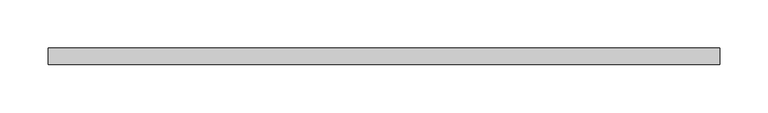
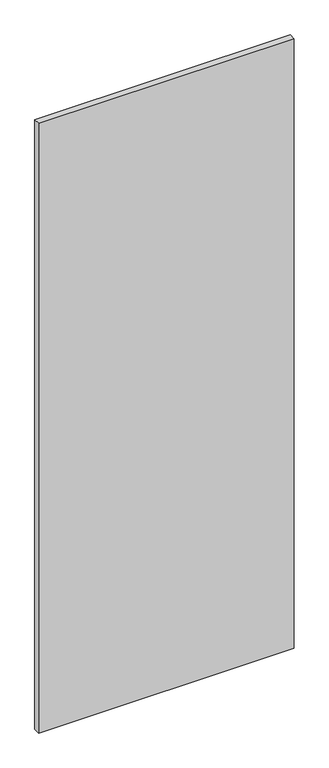
"""IFC4 building model written with IfcOpenShell, lengths in millimetres: plate geometry."""

from ifc_helpers import new_model, si_unit, origin, origin_with_axes, place, context, project, spatial, polyline, outline, extrude, source, transform, mapped, element, save


def plate_ad9e7d2d(model_context):
    return source(origin(), model_context, "Body", "SweptSolid", [
        extrude(outline(polyline([(349.5579102, -8.73125), (-349.5579102, -8.73125), (-349.5579102, 8.73125), (349.5579102, 8.73125), (349.5579102, -8.73125)])), origin_with_axes(), (0.0, 0.0, 1.0), 1761.3),
    ])


if __name__ == "__main__":
    model = new_model("IFC4")
    model_context = context("Model", 3, world=origin())
    ifc_project = project(units=[si_unit("LENGTHUNIT", "METRE", prefix="MILLI")], contexts=[model_context])
    site = spatial("IfcSite", under=ifc_project)
    building = spatial("IfcBuilding", under=site)
    placement = place(None, origin())
    plate_shape = plate_ad9e7d2d(model_context)
    element("IfcPlate", 1, at=placement, inside=building, context=model_context, shape_type="MappedRepresentation", body=[
        mapped(plate_shape, transform((0.0, 0.0, 0.0), x_axis=(1.0, 0.0, 0.0), y_axis=(0.0, 1.0, 0.0), z_axis=(0.0, 0.0, 1.0))),
    ])
    save(model, "model.ifc")
